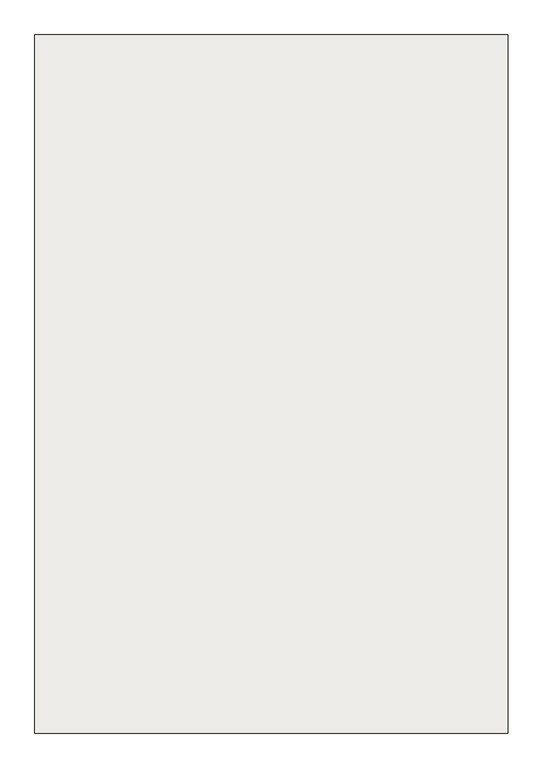
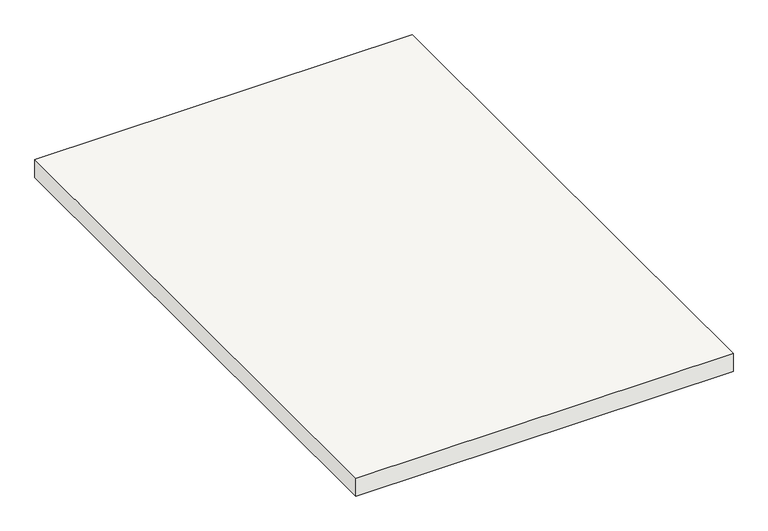
"""IFC4 building model written with IfcOpenShell, lengths in millimetres: slab geometry."""

from ifc_helpers import new_model, si_unit, frame, origin, place, context, project, spatial, polyline, outline, extrude, source, transform, mapped, element, save


def slab_94124b45(model_context):
    return source(origin(), model_context, "Body", "SweptSolid", [
        extrude(outline(polyline([(4679.5324543, -18322.7019092), (4679.5324543, -16848.2676251), (5679.5324543, -16848.2676251), (5679.5324543, -17848.2676251), (5679.5324543, -18322.7019092), (4679.5324543, -18322.7019092)])), frame((0.0, 0.0, 1950.0), z_axis=(0.0, 0.0, 1.0), x_axis=(1.0, 0.0, 0.0)), (0.0, 0.0, 1.0), 50.0),
    ])


if __name__ == "__main__":
    model = new_model("IFC4")
    model_context = context("Model", 3, world=origin())
    ifc_project = project(units=[si_unit("LENGTHUNIT", "METRE", prefix="MILLI")], contexts=[model_context])
    site = spatial("IfcSite", under=ifc_project)
    building = spatial("IfcBuilding", under=site)
    placement = place(None, origin())
    slab_shape = slab_94124b45(model_context)
    element("IfcSlab", 1, at=placement, inside=building, context=model_context, shape_type="MappedRepresentation", body=[
        mapped(slab_shape, transform((0.0, 0.0, 0.0), x_axis=(1.0, 0.0, 0.0), y_axis=(0.0, 1.0, 0.0), z_axis=(0.0, 0.0, 1.0))),
    ])
    save(model, "model.ifc")
